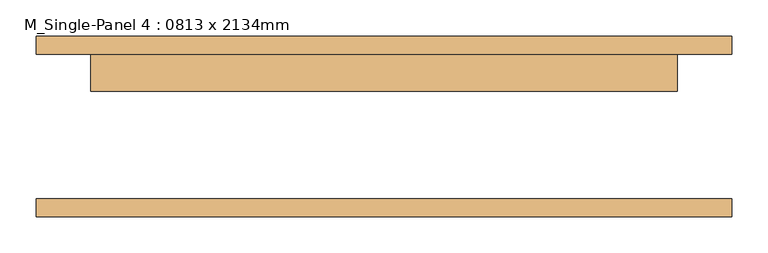
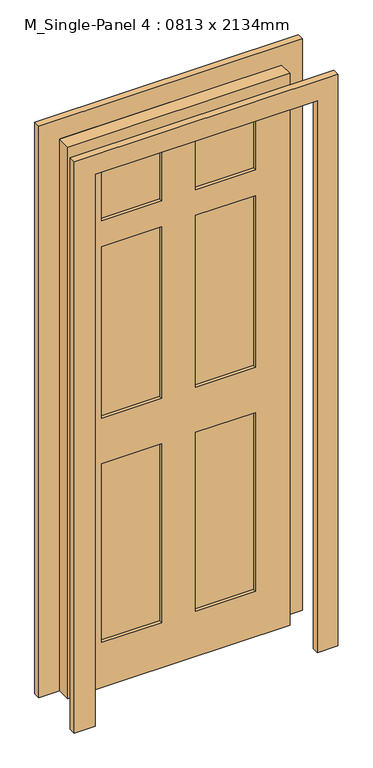
"""IFC4 building model written with IfcOpenShell, lengths in millimetres: door geometry, M_Single-Panel 4 : 0813 x 2134mm."""

from ifc_helpers import new_model, si_unit, frame, origin, place, context, project, spatial, polyline, outline, extrude, source, transform, mapped, element, save


def m_single_panel_4_0813_x_2134mm_a8a5a331(model_context):
    return source(origin(), model_context, "Body", "SweptSolid", [
        extrude(outline(polyline([(0.0, -482.5), (0.0, -406.5), (2134.0, -406.5), (2134.0, 406.5), (0.0, 406.5), (0.0, 482.5), (2210.0, 482.5), (2210.0, -482.5), (0.0, -482.5)])), frame((0.0, -125.0, 0.0), z_axis=(0.0, 1.0, 0.0), x_axis=(0.0, 0.0, 1.0)), (0.0, 0.0, 1.0), 25.0),
        extrude(outline(polyline([(0.0, 482.5), (2210.0, 482.5), (2210.0, -482.5), (0.0, -482.5), (0.0, -406.5), (2134.0, -406.5), (2134.0, 406.5), (0.0, 406.5), (0.0, 482.5)])), frame((0.0, 100.4, 0.0), z_axis=(0.0, 1.0, 0.0), x_axis=(0.0, 0.0, 1.0)), (0.0, 0.0, 1.0), 25.0),
        extrude(outline(polyline([(-62.5, 61.7), (-281.5, 61.7), (-281.5, 87.3), (-62.5, 87.3), (-62.5, 61.7)])), frame((0.0, 0.0, 1805.4), z_axis=(0.0, 0.0, 1.0), x_axis=(1.0, 0.0, 0.0)), (0.0, 0.0, 1.0), 228.6),
        extrude(outline(polyline([(281.5, 61.7), (62.5, 61.7), (62.5, 87.3), (281.5, 87.3), (281.5, 61.7)])), frame((0.0, 0.0, 1805.4), z_axis=(0.0, 0.0, 1.0), x_axis=(1.0, 0.0, 0.0)), (0.0, 0.0, 1.0), 228.6),
        extrude(outline(polyline([(-62.5, 61.7), (-281.5, 61.7), (-281.5, 87.3), (-62.5, 87.3), (-62.5, 61.7)])), frame((0.0, 0.0, 1041.4), z_axis=(0.0, 0.0, 1.0), x_axis=(1.0, 0.0, 0.0)), (0.0, 0.0, 1.0), 664.0),
        extrude(outline(polyline([(281.5, 61.7), (62.5, 61.7), (62.5, 87.3), (281.5, 87.3), (281.5, 61.7)])), frame((0.0, 0.0, 1041.4), z_axis=(0.0, 0.0, 1.0), x_axis=(1.0, 0.0, 0.0)), (0.0, 0.0, 1.0), 664.0),
        extrude(outline(polyline([(-62.5, 61.7), (-281.5, 61.7), (-281.5, 87.3), (-62.5, 87.3), (-62.5, 61.7)])), frame((0.0, 0.0, 175.0), z_axis=(0.0, 0.0, 1.0), x_axis=(1.0, 0.0, 0.0)), (0.0, 0.0, 1.0), 691.4),
        extrude(outline(polyline([(281.5, 61.7), (62.5, 61.7), (62.5, 87.3), (281.5, 87.3), (281.5, 61.7)])), frame((0.0, 0.0, 175.0), z_axis=(0.0, 0.0, 1.0), x_axis=(1.0, 0.0, 0.0)), (0.0, 0.0, 1.0), 691.4),
        extrude(outline(polyline([(2134.0, 406.5), (2134.0, -406.5), (0.0, -406.5), (0.0, 406.5), (2134.0, 406.5)]), holes=[polyline([(2034.0, -62.5), (1805.4, -62.5), (1805.4, -281.5), (2034.0, -281.5), (2034.0, -62.5)]), polyline([(2034.0, 281.5), (1805.4, 281.5), (1805.4, 62.5), (2034.0, 62.5), (2034.0, 281.5)]), polyline([(1705.4, -62.5), (1041.4, -62.5), (1041.4, -281.5), (1705.4, -281.5), (1705.4, -62.5)]), polyline([(1705.4, 281.5), (1041.4, 281.5), (1041.4, 62.5), (1705.4, 62.5), (1705.4, 281.5)]), polyline([(866.4, -62.5), (175.0, -62.5), (175.0, -281.5), (866.4, -281.5), (866.4, -62.5)]), polyline([(866.4, 281.5), (175.0, 281.5), (175.0, 62.5), (866.4, 62.5), (866.4, 281.5)])]), frame((0.0, 49.0, 0.0), z_axis=(0.0, 1.0, 0.0), x_axis=(0.0, 0.0, 1.0)), (0.0, 0.0, 1.0), 51.0),
    ])


if __name__ == "__main__":
    model = new_model("IFC4")
    model_context = context("Model", 3, world=origin())
    ifc_project = project(units=[si_unit("LENGTHUNIT", "METRE", prefix="MILLI")], contexts=[model_context])
    site = spatial("IfcSite", under=ifc_project)
    building = spatial("IfcBuilding", under=site)
    placement = place(None, origin())
    m_single_panel_4_0813_x_2134mm_shape = m_single_panel_4_0813_x_2134mm_a8a5a331(model_context)
    element("IfcDoor", 1, ObjectType="M_Single-Panel 4 : 0813 x 2134mm", at=placement, inside=building, context=model_context, shape_type="MappedRepresentation", body=[
        mapped(m_single_panel_4_0813_x_2134mm_shape, transform((0.0, 0.0, 0.0), x_axis=(1.0, 0.0, 0.0), y_axis=(0.0, 1.0, 0.0), z_axis=(0.0, 0.0, 1.0))),
    ])
    save(model, "model.ifc")
